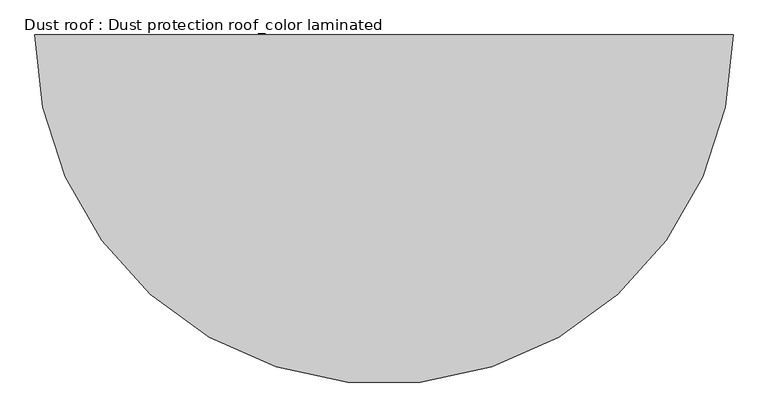
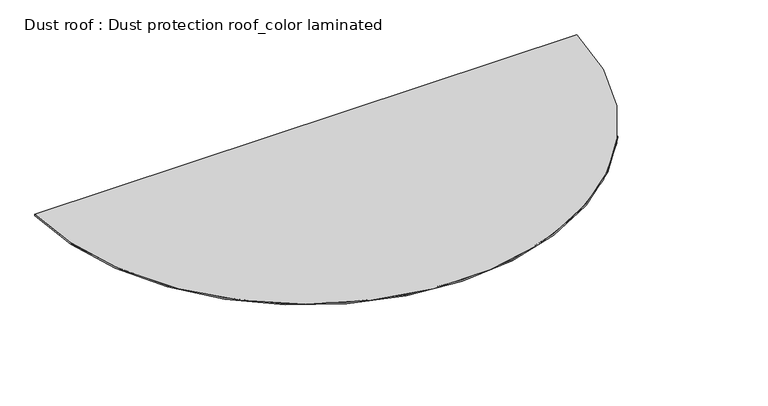
"""IFC4 building model written with IfcOpenShell, lengths in millimetres: proxy geometry, Dust roof : Dust protection roof_color laminated."""

from ifc_helpers import new_model, si_unit, point, origin, origin_with_axes, origin_2d, place, context, project, spatial, polyline, circle_curve, trimmed, segment, composite_curve, outline, extrude, source, transform, mapped, element, save


def dust_roof_dust_protection_roof_color_laminated_e82babb9(model_context):
    return source(origin(), model_context, "Body", "SweptSolid", [
        extrude(outline(composite_curve([segment(trimmed(circle_curve(origin_2d(), 2136.0), [point((2136.0, 0.0))], [point((-2136.0, 0.0))], False, "CARTESIAN"), True, "CONTINUOUS"), segment(polyline([(-2136.0, 0.0), (2136.0, 0.0)]), True, "CONTINUOUS")], self_intersect=False)), origin_with_axes(), (0.0, 0.0, 1.0), 10.0),
    ])


if __name__ == "__main__":
    model = new_model("IFC4")
    model_context = context("Model", 3, world=origin())
    ifc_project = project(units=[si_unit("LENGTHUNIT", "METRE", prefix="MILLI")], contexts=[model_context])
    site = spatial("IfcSite", under=ifc_project)
    building = spatial("IfcBuilding", under=site)
    placement = place(None, origin())
    dust_roof_dust_protection_roof_color_laminated_shape = dust_roof_dust_protection_roof_color_laminated_e82babb9(model_context)
    element("IfcBuildingElementProxy", 1, Name="Dust roof : Dust protection roof_color laminated", ObjectType="Dust roof : Dust protection roof_color laminated", at=placement, inside=building, context=model_context, shape_type="MappedRepresentation", body=[
        mapped(dust_roof_dust_protection_roof_color_laminated_shape, transform((0.0, 0.0, 0.0), x_axis=(1.0, 0.0, 0.0), y_axis=(0.0, 1.0, 0.0), z_axis=(0.0, 0.0, 1.0))),
    ])
    save(model, "model.ifc")
